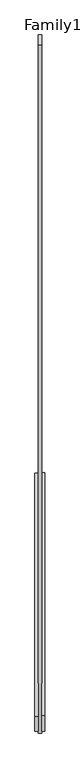
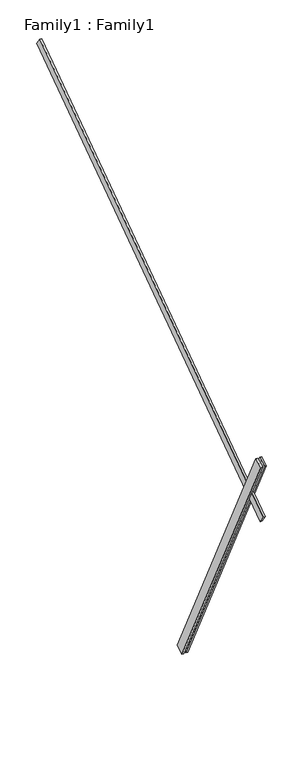
"""IFC4 building model written with IfcOpenShell, lengths in millimetres: proxy geometry, Family1 : Family1."""

from ifc_helpers import new_model, si_unit, frame, origin, place, context, project, spatial, polyline, outline, extrude, source, transform, mapped, element, save


def family1_family1_ba8df2ef(model_context):
    return source(origin(), model_context, "Body", "SweptSolid", [
        extrude(outline(polyline([(0.0, 0.0), (-100.0000001, 0.0), (-100.0000001, 20.0), (0.0, 20.0), (0.0, 0.0)])), frame((-30.0, -46.3241747, -22.5938096), z_axis=(0.0, -0.4383711467890692, 0.8987940462991711), x_axis=(0.0, -0.8987940462991711, -0.4383711467890692)), (0.0, 0.0, 1.0), 3300.0),
        extrude(outline(polyline([(0.0, 0.0), (-99.9999999, 0.0), (-99.9999999, 20.0), (0.0, 20.0), (0.0, 0.0)])), frame((10.0, -45.270232, -22.0797674), z_axis=(0.0, -0.4383711467890692, 0.8987940462991711), x_axis=(0.0, -0.8987940462991711, -0.4383711467890692)), (0.0, 0.0, 1.0), 3300.0),
        extrude(outline(polyline([(0.0, 20.0), (5000.0, 20.0), (5000.0, 0.0), (0.0, 0.0), (0.0, 20.0)])), frame((-10.0, 2649.8309048, 5170.478363), z_axis=(0.0, -0.5735764363510478, 0.8191520442889907), x_axis=(0.0, -0.8191520442889907, -0.5735764363510478)), (0.0, 0.0, 1.0), 100.0),
    ])


if __name__ == "__main__":
    model = new_model("IFC4")
    model_context = context("Model", 3, world=origin())
    ifc_project = project(units=[si_unit("LENGTHUNIT", "METRE", prefix="MILLI")], contexts=[model_context])
    site = spatial("IfcSite", under=ifc_project)
    building = spatial("IfcBuilding", under=site)
    placement = place(None, origin())
    family1_family1_shape = family1_family1_ba8df2ef(model_context)
    element("IfcBuildingElementProxy", 1, Name="Family1 : Family1", ObjectType="Family1 : Family1", at=placement, inside=building, context=model_context, shape_type="MappedRepresentation", body=[
        mapped(family1_family1_shape, transform((0.0, 0.0, 0.0), x_axis=(1.0, 0.0, 0.0), y_axis=(0.0, 1.0, 0.0), z_axis=(0.0, 0.0, 1.0))),
    ])
    save(model, "model.ifc")
